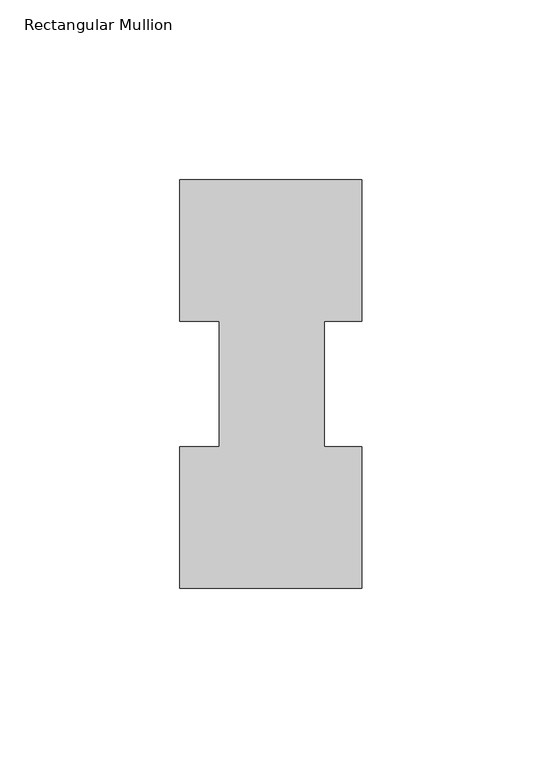
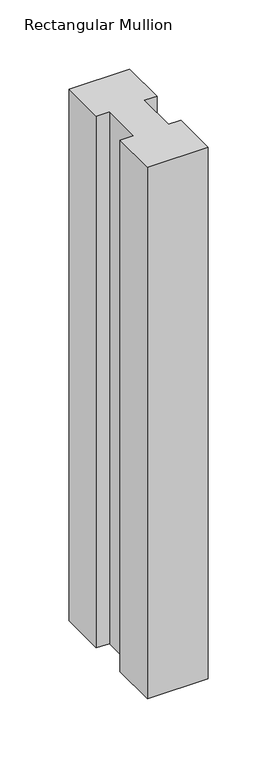
"""IFC4 building model written with IfcOpenShell, lengths in millimetres: member geometry, Rectangular Mullion."""

from ifc_helpers import new_model, si_unit, frame, origin, place, context, project, spatial, polyline, outline, extrude, source, transform, mapped, element, save


def rectangular_mullion_2b246eca(model_context):
    return source(origin(), model_context, "Body", "SweptSolid", [
        extrude(outline(polyline([(-50.8, 114.017425), (0.0, 114.017425), (0.0, 74.596625), (-10.5663987, 74.596625), (-10.5663987, 39.620825), (0.0, 39.620825), (0.0, 0.225425), (-50.8, 0.225425), (-50.8, 39.620825), (-39.6875, 39.620825), (-39.6875, 74.596625), (-50.8, 74.596625), (-50.8, 114.017425)])), frame((0.0, 0.0, -469.86825), z_axis=(0.0, 0.0, 1.0), x_axis=(1.0, 0.0, 0.0)), (0.0, 0.0, 1.0), 469.86825),
    ])


if __name__ == "__main__":
    model = new_model("IFC4")
    model_context = context("Model", 3, world=origin())
    ifc_project = project(units=[si_unit("LENGTHUNIT", "METRE", prefix="MILLI")], contexts=[model_context])
    site = spatial("IfcSite", under=ifc_project)
    building = spatial("IfcBuilding", under=site)
    placement = place(None, origin())
    rectangular_mullion_shape = rectangular_mullion_2b246eca(model_context)
    element("IfcMember", 1, ObjectType="Rectangular Mullion", at=placement, inside=building, context=model_context, shape_type="MappedRepresentation", body=[
        mapped(rectangular_mullion_shape, transform((0.0, 0.0, 0.0), x_axis=(1.0, 0.0, 0.0), y_axis=(0.0, 1.0, 0.0), z_axis=(0.0, 0.0, 1.0))),
    ])
    save(model, "model.ifc")
